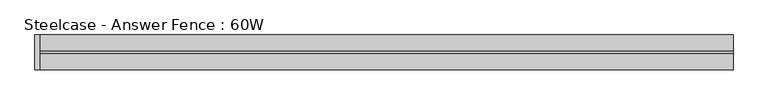
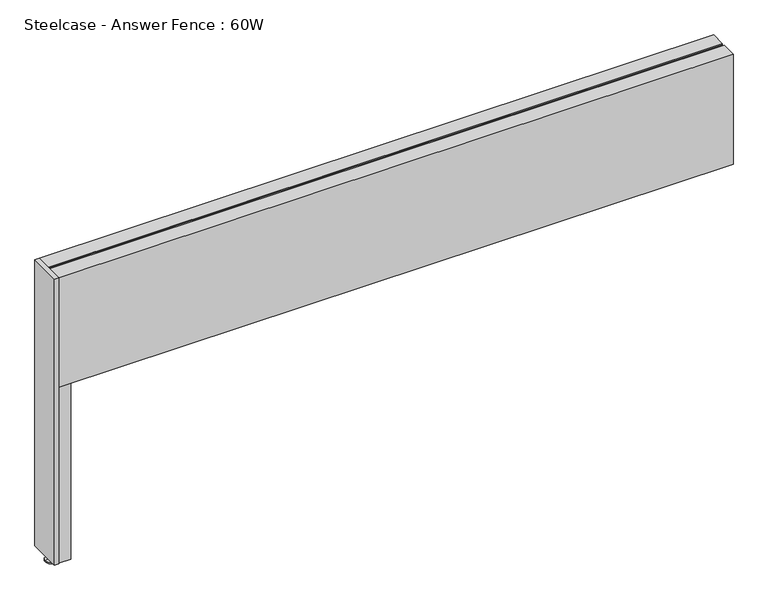
"""IFC4 building model written with IfcOpenShell, lengths in millimetres: furniture geometry, Steelcase - Answer Fence : 60W."""

from ifc_helpers import new_model, si_unit, frame, origin, place, context, project, spatial, polyline, circle_curve, outline, extrude, source, transform, mapped, element, save
from ifc_brep_helpers import plane_surface, cylinder_surface, revolved_surface, advanced_brep


def steelcase_answer_fence_60w_4954feb2(model_context):
    return source(origin(), model_context, "Body", "SolidModel", [
        advanced_brep(
        [(-47.4460299, 7.4168014, -3.29e-05), (-34.7205512, 7.4168014, -3.29e-05), (-21.9950726, 7.4168014, -3.29e-05), (-47.4460299, 7.4168014, 2.446593), (-21.9950726, 7.4168014, 2.446593), (-39.6754775, 7.4168014, 4.8561413), (-29.765625, 7.4168014, 4.8561413), (-38.5932872, 7.4168014, 4.8561413), (-30.8478153, 7.4168014, 4.8561413), (-38.5932872, 7.4168014, 15.4939671), (-30.8478153, 7.4168014, 15.4939671), (-34.7205512, 7.4168014, 15.4939671)],
        [
            (0, 1),
            (1, 2),
            (2, 0, circle_curve(frame((-34.7205512, 7.4168014, -3.29e-05), z_axis=(0.0, 0.0, -1.0), x_axis=(1.0000000000000004, 0.0, 0.0)), 12.7254787)),
            (0, 2, circle_curve(frame((-34.7205512, 7.4168014, -3.29e-05), z_axis=(0.0, 0.0, -1.0), x_axis=(1.0000000000000004, 0.0, 0.0)), 12.7254787)),
            (3, 0),
            (2, 4),
            (4, 3, circle_curve(frame((-34.7205512, 7.4168014, 2.446593), z_axis=(0.0, 0.0, -1.0), x_axis=(1.0000000000000004, 0.0, 0.0)), 12.7254787)),
            (3, 4, circle_curve(frame((-34.7205512, 7.4168014, 2.446593), z_axis=(0.0, 0.0, -1.0), x_axis=(1.0000000000000004, 0.0, 0.0)), 12.7254787)),
            (5, 3),
            (4, 6),
            (6, 5, circle_curve(frame((-34.7205512, 7.4168014, 4.8561413), z_axis=(0.0, 0.0, -1.0), x_axis=(1.0000000000000004, 0.0, 0.0)), 4.9549262)),
            (5, 6, circle_curve(frame((-34.7205512, 7.4168014, 4.8561413), z_axis=(0.0, 0.0, -1.0), x_axis=(1.0000000000000004, 0.0, 0.0)), 4.9549262)),
            (7, 5),
            (6, 8),
            (8, 7, circle_curve(frame((-34.7205512, 7.4168014, 4.8561413), z_axis=(0.0, 0.0, -1.0), x_axis=(1.0000000000000004, 0.0, 0.0)), 3.8727359)),
            (7, 8, circle_curve(frame((-34.7205512, 7.4168014, 4.8561413), z_axis=(0.0, 0.0, -1.0), x_axis=(1.0000000000000004, 0.0, 0.0)), 3.8727359)),
            (9, 7),
            (8, 10),
            (10, 9, circle_curve(frame((-34.7205512, 7.4168014, 15.4939671), z_axis=(0.0, 0.0, -1.0), x_axis=(1.0000000000000004, 0.0, 0.0)), 3.8727359)),
            (9, 10, circle_curve(frame((-34.7205512, 7.4168014, 15.4939671), z_axis=(0.0, 0.0, -1.0), x_axis=(1.0000000000000004, 0.0, 0.0)), 3.8727359)),
            (11, 9),
            (10, 11),
        ],
        [
            plane_surface(frame((-34.7205512, 7.4168014, -3.29e-05), z_axis=(0.0, 0.0, -1.0), x_axis=(1.0, 0.0, 0.0))),
            cylinder_surface(frame((-34.7205512, 7.4168014, -1.135133), z_axis=(0.0, 0.0, 1.0), x_axis=(1.0000000000000004, 0.0, 0.0)), 12.7254787),
            revolved_surface(polyline([(-21.9950726, 7.4168014, 2.446593), (-29.765625, 7.4168014, 4.8561413)]), (-34.7205512, 7.4168014, -1.135133), (0.0, 0.0, 1.0)),
            plane_surface(frame((-34.7205512, 7.4168014, 4.8561413), z_axis=(0.0, 0.0, 1.0), x_axis=(1.0, 0.0, 0.0))),
            cylinder_surface(frame((-34.7205512, 7.4168014, -1.135133), z_axis=(0.0, 0.0, 1.0), x_axis=(1.0000000000000004, 0.0, 0.0)), 3.8727359),
            plane_surface(frame((-34.7205512, 7.4168014, 15.4939671), z_axis=(0.0, 0.0, 1.0), x_axis=(1.0, 0.0, 0.0))),
        ],
        [
            (0, [[1, 2, 3]]),
            (0, [[-2, -1, 4]]),
            (1, [[5, -3, 6, 7]]),
            (1, [[-6, -4, -5, 8]]),
            (2, [[9, -7, 10, 11]]),
            (2, [[-10, -8, -9, 12]]),
            (3, [[13, -11, 14, 15]]),
            (3, [[-14, -12, -13, 16]]),
            (4, [[17, -15, 18, 19]]),
            (4, [[-18, -16, -17, 20]]),
            (5, [[21, -19, 22]]),
            (5, [[-22, -20, -21]]),
        ],
    ),
        extrude(outline(polyline([(-9.935178, 43.8092555), (-9.935178, -28.8855443), (-38.0701573, -28.8855443), (-38.0701573, -18.0275164), (-20.8608215, -18.0275164), (-20.8608215, 32.7724836), (-38.0832543, 32.7724836), (-38.0832543, 43.8092555), (-9.935178, 43.8092555)])), frame((0.0, 0.0, 15.4939671), z_axis=(0.0, 0.0, 1.0), x_axis=(1.0, 0.0, 0.0)), (0.0, 0.0, 1.0), 420.9763759),
        extrude(outline(polyline([(-48.2664464, 45.5635028), (-38.1, 45.5635028), (-38.1, -30.7299), (-48.2664464, -30.7299), (-48.2664464, 45.5635028)])), frame((0.0, 0.0, 15.4939671), z_axis=(0.0, 0.0, 1.0), x_axis=(1.0, 0.0, 0.0)), (0.0, 0.0, 1.0), 683.006),
        extrude(outline(polyline([(-30.6507456, 698.5), (4.4428302, 698.5), (4.4428302, 695.721875), (10.7419756, 695.721875), (10.7419756, 698.5), (45.5168014, 698.5), (45.5168014, 436.470343), (-30.6507456, 436.470343), (-30.6507456, 698.5)])), frame((-38.1, 0.0, 0.0), z_axis=(1.0, 0.0, 0.0), x_axis=(0.0, 1.0, 0.0)), (0.0, 0.0, 1.0), 1521.968),
    ])


if __name__ == "__main__":
    model = new_model("IFC4")
    model_context = context("Model", 3, world=origin())
    ifc_project = project(units=[si_unit("LENGTHUNIT", "METRE", prefix="MILLI")], contexts=[model_context])
    site = spatial("IfcSite", under=ifc_project)
    building = spatial("IfcBuilding", under=site)
    placement = place(None, origin())
    steelcase_answer_fence_60w_shape = steelcase_answer_fence_60w_4954feb2(model_context)
    element("IfcFurniture", 1, ObjectType="Steelcase - Answer Fence : 60W", at=placement, inside=building, context=model_context, shape_type="MappedRepresentation", body=[
        mapped(steelcase_answer_fence_60w_shape, transform((0.0, 0.0, 0.0), x_axis=(1.0, 0.0, 0.0), y_axis=(0.0, 1.0, 0.0), z_axis=(0.0, 0.0, 1.0))),
    ])
    save(model, "model.ifc")
